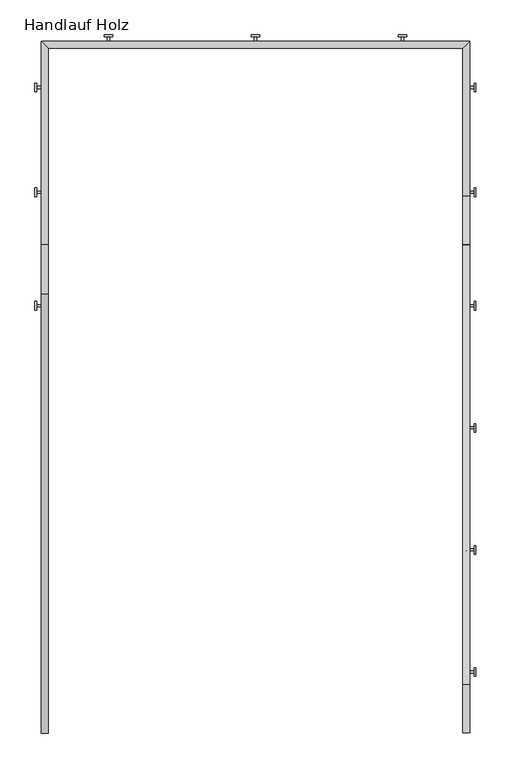
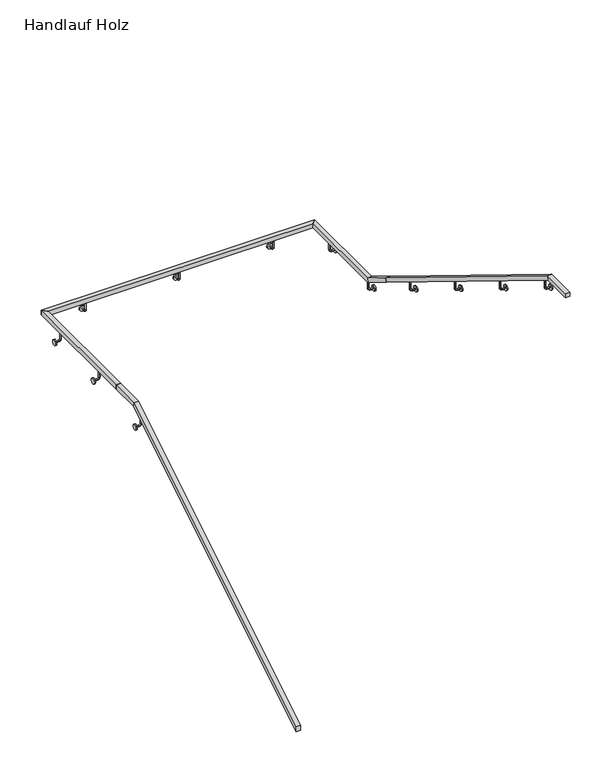
"""IFC4 building model written with IfcOpenShell, lengths in millimetres: railing geometry, Handlauf Holz."""

from ifc_helpers import new_model, si_unit, point, frame, frame_2d, origin, place, context, project, spatial, circle_curve, ellipse_curve, trimmed, segment, composite_curve, outline, extrude, faceted_brep, source, transform, mapped, element, save
from ifc_brep_helpers import plane_surface, cylinder_surface, revolved_surface, advanced_brep


def handlauf_holz_da7dedf4(model_context):
    return source(origin(), model_context, "Body", "SolidModel", [
        faceted_brep([(11017.0, 3985.4, 1175.0), (11017.0, 3985.4, 1128.0610765), (11057.0, 3985.4, 1128.0610765), (11057.0, 3985.4, 1175.0), (11017.0, 6550.4, 2750.0), (11017.0, 6561.7005326, 2710.0), (11057.0, 6561.7005326, 2710.0), (11057.0, 6550.4, 2750.0), (11017.0, 6835.4, 2750.0), (11057.0, 6835.4, 2750.0), (11057.0, 6835.4, 2710.0), (11017.0, 6835.4, 2710.0)], [[[0, 1, 2, 3]], [[1, 0, 4, 5]], [[2, 1, 5, 6]], [[3, 2, 6, 7]], [[0, 3, 7, 4]], [[8, 9, 10, 11]], [[5, 4, 8, 11]], [[6, 5, 11, 10]], [[7, 6, 10, 9]], [[4, 7, 9, 8]]]),
        faceted_brep([(11017.0, 6835.4, 2750.0), (11017.0, 6835.4, 2710.0), (11057.0, 6835.4, 2710.0), (11057.0, 6835.4, 2750.0), (11017.0, 8023.0, 2750.0), (11057.0, 7983.0, 2750.0), (11057.0, 7983.0, 2710.0), (11017.0, 8023.0, 2710.0)], [[[0, 1, 2, 3]], [[4, 5, 6, 7]], [[1, 0, 4, 7]], [[2, 1, 7, 6]], [[3, 2, 6, 5]], [[0, 3, 5, 4]]]),
        faceted_brep([(11017.0, 8023.0, 2750.0), (11017.0, 8023.0, 2710.0), (11057.0, 7983.0, 2710.0), (11057.0, 7983.0, 2750.0), (13517.2, 8023.0, 2750.0), (13477.2, 7983.0, 2750.0), (13477.2, 7983.0, 2710.0), (13517.2, 8023.0, 2710.0)], [[[0, 1, 2, 3]], [[4, 5, 6, 7]], [[1, 0, 4, 7]], [[2, 1, 7, 6]], [[3, 2, 6, 5]], [[0, 3, 5, 4]]]),
        faceted_brep([(13517.2, 8023.0, 2750.0), (13517.2, 8023.0, 2710.0), (13477.2, 7983.0, 2710.0), (13477.2, 7983.0, 2750.0), (13517.2, 7120.4, 2750.0), (13517.2, 7109.0994674, 2710.0), (13477.2, 7109.0994674, 2710.0), (13477.2, 7120.4, 2750.0), (13517.2, 6835.4, 2925.0), (13477.2, 6835.4, 2925.0), (13477.2, 6814.4694787, 2890.913151), (13517.2, 6814.4694787, 2890.913151)], [[[0, 1, 2, 3]], [[1, 0, 4, 5]], [[2, 1, 5, 6]], [[3, 2, 6, 7]], [[0, 3, 7, 4]], [[8, 9, 10, 11]], [[5, 4, 8, 11]], [[6, 5, 11, 10]], [[7, 6, 10, 9]], [[4, 7, 9, 8]]]),
        faceted_brep([(13517.2, 6835.4, 2925.0), (13517.2, 6814.4694787, 2890.913151), (13477.2, 6814.4694787, 2890.913151), (13477.2, 6835.4, 2925.0), (13517.2, 4270.4, 4500.0), (13517.2, 4259.0994674, 4460.0), (13477.2, 4259.0994674, 4460.0), (13477.2, 4270.4, 4500.0), (13517.2, 3985.4, 4500.0), (13477.2, 3985.4, 4500.0), (13477.2, 3985.4, 4460.0), (13517.2, 3985.4, 4460.0)], [[[0, 1, 2, 3]], [[1, 0, 4, 5]], [[2, 1, 5, 6]], [[3, 2, 6, 7]], [[0, 3, 7, 4]], [[8, 9, 10, 11]], [[5, 4, 8, 11]], [[6, 5, 11, 10]], [[7, 6, 10, 9]], [[4, 7, 9, 8]]]),
        advanced_brep(
        [(13497.2, 4348.0, 4397.2), (13497.2, 4335.3, 4397.2), (13497.2, 4335.3, 4340.05), (13497.2, 4348.0, 4340.05), (13516.25, 4335.3, 4321.0), (13516.25, 4348.0, 4321.0), (13544.825, 4348.0, 4321.0), (13544.825, 4335.3, 4321.0)],
        [
            (0, 1, circle_curve(frame((13497.2, 4341.65, 4397.2), z_axis=(0.0, 0.0, 1.0), x_axis=(0.0, -1.0, 0.0)), 6.35)),
            (1, 0, circle_curve(frame((13497.2, 4341.65, 4397.2), z_axis=(0.0, 0.0, 1.0), x_axis=(0.0, -1.0, 0.0)), 6.35)),
            (1, 2),
            (2, 3, circle_curve(frame((13497.2, 4341.65, 4340.05), z_axis=(0.0, 0.0, 1.0), x_axis=(0.0, -1.0, 0.0)), 6.35)),
            (3, 0),
            (3, 2, circle_curve(frame((13497.2, 4341.65, 4340.05), z_axis=(0.0, 0.0, 1.0), x_axis=(0.0, -1.0, 0.0)), 6.35)),
            (4, 5, circle_curve(frame((13516.25, 4341.65, 4321.0), z_axis=(-1.0, 0.0, 0.0), x_axis=(0.0, -1.0, 0.0)), 6.35)),
            (5, 3, circle_curve(frame((13516.25, 4348.0, 4340.05), z_axis=(0.0, 1.0, 0.0), x_axis=(-1.0, 0.0, 0.0)), 19.05)),
            (2, 4, circle_curve(frame((13516.25, 4335.3, 4340.05), z_axis=(0.0, -1.0, 0.0), x_axis=(-1.0, 0.0, 0.0)), 19.05)),
            (5, 4, circle_curve(frame((13516.25, 4341.65, 4321.0), z_axis=(-1.0, 0.0, 0.0), x_axis=(0.0, -1.0, 0.0)), 6.35)),
            (6, 7, circle_curve(frame((13544.825, 4341.65, 4321.0), z_axis=(1.0, 0.0, 0.0), x_axis=(0.0, -1.0, 0.0)), 6.35)),
            (7, 6, circle_curve(frame((13544.825, 4341.65, 4321.0), z_axis=(1.0, 0.0, 0.0), x_axis=(0.0, -1.0, 0.0)), 6.35)),
            (4, 7),
            (6, 5),
        ],
        [
            plane_surface(frame((13497.2, 4335.3, 4397.2), z_axis=(0.0, 0.0, 1.0), x_axis=(1.0, 0.0, 0.0))),
            cylinder_surface(frame((13497.2, 4341.65, 4397.2), z_axis=(0.0, 0.0, 1.0), x_axis=(0.0, -1.0, 0.0)), 6.35),
            revolved_surface(trimmed(ellipse_curve(frame((13497.2, 4341.65, 4340.05), z_axis=(0.0, 0.0, -1.0), x_axis=(0.0, -1.0, 0.0)), 6.35, 6.35), [point((13497.2, 4348.0, 4340.05))], [point((13497.2, 4335.3, 4340.05))], True, "CARTESIAN"), (13516.25, 4341.65, 4340.05), (0.0, 1.0, 0.0)),
            revolved_surface(trimmed(ellipse_curve(frame((13497.2, 4341.65, 4340.05), z_axis=(0.0, 0.0, -1.0), x_axis=(0.0, -1.0, 0.0)), 6.35, 6.35), [point((13497.2, 4335.3, 4340.05))], [point((13497.2, 4348.0, 4340.05))], True, "CARTESIAN"), (13516.25, 4341.65, 4340.05), (0.0, 1.0, 0.0)),
            plane_surface(frame((13544.825, 4341.65, 4314.65), z_axis=(1.0, 0.0, 0.0), x_axis=(0.0, -1.0, 0.0))),
            cylinder_surface(frame((13516.25, 4341.65, 4321.0), z_axis=(-1.0, 0.0, 0.0), x_axis=(0.0, -1.0, 0.0)), 6.35),
        ],
        [
            (0, [[1, 2]]),
            (1, [[3, 4, 5, -2]]),
            (1, [[-5, 6, -3, -1]]),
            (2, [[7, 8, -4, 9]]),
            (3, [[10, -9, -6, -8]]),
            (4, [[11, 12]]),
            (5, [[13, -11, 14, -7]]),
            (5, [[-14, -12, -13, -10]]),
        ],
    ),
        extrude(outline(composite_curve([segment(trimmed(circle_curve(frame_2d((4341.65, 4321.0)), 25.4), [point((4316.25, 4321.0))], [point((4367.05, 4321.0))], False, "CARTESIAN"), True, "CONTINUOUS"), segment(trimmed(circle_curve(frame_2d((4341.65, 4321.0)), 25.4), [point((4367.05, 4321.0))], [point((4316.25, 4321.0))], False, "CARTESIAN"), True, "CONTINUOUS")], self_intersect=False)), frame((13544.825, 0.0, 0.0), z_axis=(1.0, 0.0, 0.0), x_axis=(0.0, 1.0, 0.0)), (0.0, 0.0, 1.0), 9.525),
        advanced_brep(
        [(13497.2, 5060.5, 3959.7), (13497.2, 5047.8, 3959.7), (13497.2, 5047.8, 3902.55), (13497.2, 5060.5, 3902.55), (13516.25, 5047.8, 3883.5), (13516.25, 5060.5, 3883.5), (13544.825, 5060.5, 3883.5), (13544.825, 5047.8, 3883.5)],
        [
            (0, 1, circle_curve(frame((13497.2, 5054.15, 3959.7), z_axis=(0.0, 0.0, 1.0), x_axis=(0.0, -1.0, 0.0)), 6.35)),
            (1, 0, circle_curve(frame((13497.2, 5054.15, 3959.7), z_axis=(0.0, 0.0, 1.0), x_axis=(0.0, -1.0, 0.0)), 6.35)),
            (1, 2),
            (2, 3, circle_curve(frame((13497.2, 5054.15, 3902.55), z_axis=(0.0, 0.0, 1.0), x_axis=(0.0, -1.0, 0.0)), 6.35)),
            (3, 0),
            (3, 2, circle_curve(frame((13497.2, 5054.15, 3902.55), z_axis=(0.0, 0.0, 1.0), x_axis=(0.0, -1.0, 0.0)), 6.35)),
            (4, 5, circle_curve(frame((13516.25, 5054.15, 3883.5), z_axis=(-1.0, 0.0, 0.0), x_axis=(0.0, -1.0, 0.0)), 6.35)),
            (5, 3, circle_curve(frame((13516.25, 5060.5, 3902.55), z_axis=(0.0, 1.0, 0.0), x_axis=(-1.0, 0.0, 0.0)), 19.05)),
            (2, 4, circle_curve(frame((13516.25, 5047.8, 3902.55), z_axis=(0.0, -1.0, 0.0), x_axis=(-1.0, 0.0, 0.0)), 19.05)),
            (5, 4, circle_curve(frame((13516.25, 5054.15, 3883.5), z_axis=(-1.0, 0.0, 0.0), x_axis=(0.0, -1.0, 0.0)), 6.35)),
            (6, 7, circle_curve(frame((13544.825, 5054.15, 3883.5), z_axis=(1.0, 0.0, 0.0), x_axis=(0.0, -1.0, 0.0)), 6.35)),
            (7, 6, circle_curve(frame((13544.825, 5054.15, 3883.5), z_axis=(1.0, 0.0, 0.0), x_axis=(0.0, -1.0, 0.0)), 6.35)),
            (4, 7),
            (6, 5),
        ],
        [
            plane_surface(frame((13497.2, 5047.8, 3959.7), z_axis=(0.0, 0.0, 1.0), x_axis=(1.0, 0.0, 0.0))),
            cylinder_surface(frame((13497.2, 5054.15, 3959.7), z_axis=(0.0, 0.0, 1.0), x_axis=(0.0, -1.0, 0.0)), 6.35),
            revolved_surface(trimmed(ellipse_curve(frame((13497.2, 5054.15, 3902.55), z_axis=(0.0, 0.0, -1.0), x_axis=(0.0, -1.0, 0.0)), 6.35, 6.35), [point((13497.2, 5060.5, 3902.55))], [point((13497.2, 5047.8, 3902.55))], True, "CARTESIAN"), (13516.25, 5054.15, 3902.55), (0.0, 1.0, 0.0)),
            revolved_surface(trimmed(ellipse_curve(frame((13497.2, 5054.15, 3902.55), z_axis=(0.0, 0.0, -1.0), x_axis=(0.0, -1.0, 0.0)), 6.35, 6.35), [point((13497.2, 5047.8, 3902.55))], [point((13497.2, 5060.5, 3902.55))], True, "CARTESIAN"), (13516.25, 5054.15, 3902.55), (0.0, 1.0, 0.0)),
            plane_surface(frame((13544.825, 5054.15, 3877.15), z_axis=(1.0, 0.0, 0.0), x_axis=(0.0, -1.0, 0.0))),
            cylinder_surface(frame((13516.25, 5054.15, 3883.5), z_axis=(-1.0, 0.0, 0.0), x_axis=(0.0, -1.0, 0.0)), 6.35),
        ],
        [
            (0, [[1, 2]]),
            (1, [[3, 4, 5, -2]]),
            (1, [[-5, 6, -3, -1]]),
            (2, [[7, 8, -4, 9]]),
            (3, [[10, -9, -6, -8]]),
            (4, [[11, 12]]),
            (5, [[13, -11, 14, -7]]),
            (5, [[-14, -12, -13, -10]]),
        ],
    ),
        extrude(outline(composite_curve([segment(trimmed(circle_curve(frame_2d((5054.15, 3883.5)), 25.4), [point((5028.75, 3883.5))], [point((5079.55, 3883.5))], False, "CARTESIAN"), True, "CONTINUOUS"), segment(trimmed(circle_curve(frame_2d((5054.15, 3883.5)), 25.4), [point((5079.55, 3883.5))], [point((5028.75, 3883.5))], False, "CARTESIAN"), True, "CONTINUOUS")], self_intersect=False)), frame((13544.825, 0.0, 0.0), z_axis=(1.0, 0.0, 0.0), x_axis=(0.0, 1.0, 0.0)), (0.0, 0.0, 1.0), 9.525),
        advanced_brep(
        [(13497.2, 5773.0, 3522.2), (13497.2, 5760.3, 3522.2), (13497.2, 5760.3, 3465.05), (13497.2, 5773.0, 3465.05), (13516.25, 5760.3, 3446.0), (13516.25, 5773.0, 3446.0), (13544.825, 5773.0, 3446.0), (13544.825, 5760.3, 3446.0)],
        [
            (0, 1, circle_curve(frame((13497.2, 5766.65, 3522.2), z_axis=(0.0, 0.0, 1.0), x_axis=(0.0, -1.0, 0.0)), 6.35)),
            (1, 0, circle_curve(frame((13497.2, 5766.65, 3522.2), z_axis=(0.0, 0.0, 1.0), x_axis=(0.0, -1.0, 0.0)), 6.35)),
            (1, 2),
            (2, 3, circle_curve(frame((13497.2, 5766.65, 3465.05), z_axis=(0.0, 0.0, 1.0), x_axis=(0.0, -1.0, 0.0)), 6.35)),
            (3, 0),
            (3, 2, circle_curve(frame((13497.2, 5766.65, 3465.05), z_axis=(0.0, 0.0, 1.0), x_axis=(0.0, -1.0, 0.0)), 6.35)),
            (4, 5, circle_curve(frame((13516.25, 5766.65, 3446.0), z_axis=(-1.0, 0.0, 0.0), x_axis=(0.0, -1.0, 0.0)), 6.35)),
            (5, 3, circle_curve(frame((13516.25, 5773.0, 3465.05), z_axis=(0.0, 1.0, 0.0), x_axis=(-1.0, 0.0, 0.0)), 19.05)),
            (2, 4, circle_curve(frame((13516.25, 5760.3, 3465.05), z_axis=(0.0, -1.0, 0.0), x_axis=(-1.0, 0.0, 0.0)), 19.05)),
            (5, 4, circle_curve(frame((13516.25, 5766.65, 3446.0), z_axis=(-1.0, 0.0, 0.0), x_axis=(0.0, -1.0, 0.0)), 6.35)),
            (6, 7, circle_curve(frame((13544.825, 5766.65, 3446.0), z_axis=(1.0, 0.0, 0.0), x_axis=(0.0, -1.0, 0.0)), 6.35)),
            (7, 6, circle_curve(frame((13544.825, 5766.65, 3446.0), z_axis=(1.0, 0.0, 0.0), x_axis=(0.0, -1.0, 0.0)), 6.35)),
            (4, 7),
            (6, 5),
        ],
        [
            plane_surface(frame((13497.2, 5760.3, 3522.2), z_axis=(0.0, 0.0, 1.0), x_axis=(1.0, 0.0, 0.0))),
            cylinder_surface(frame((13497.2, 5766.65, 3522.2), z_axis=(0.0, 0.0, 1.0), x_axis=(0.0, -1.0, 0.0)), 6.35),
            revolved_surface(trimmed(ellipse_curve(frame((13497.2, 5766.65, 3465.05), z_axis=(0.0, 0.0, -1.0), x_axis=(0.0, -1.0, 0.0)), 6.35, 6.35), [point((13497.2, 5773.0, 3465.05))], [point((13497.2, 5760.3, 3465.05))], True, "CARTESIAN"), (13516.25, 5766.65, 3465.05), (0.0, 1.0, 0.0)),
            revolved_surface(trimmed(ellipse_curve(frame((13497.2, 5766.65, 3465.05), z_axis=(0.0, 0.0, -1.0), x_axis=(0.0, -1.0, 0.0)), 6.35, 6.35), [point((13497.2, 5760.3, 3465.05))], [point((13497.2, 5773.0, 3465.05))], True, "CARTESIAN"), (13516.25, 5766.65, 3465.05), (0.0, 1.0, 0.0)),
            plane_surface(frame((13544.825, 5766.65, 3439.65), z_axis=(1.0, 0.0, 0.0), x_axis=(0.0, -1.0, 0.0))),
            cylinder_surface(frame((13516.25, 5766.65, 3446.0), z_axis=(-1.0, 0.0, 0.0), x_axis=(0.0, -1.0, 0.0)), 6.35),
        ],
        [
            (0, [[1, 2]]),
            (1, [[3, 4, 5, -2]]),
            (1, [[-5, 6, -3, -1]]),
            (2, [[7, 8, -4, 9]]),
            (3, [[10, -9, -6, -8]]),
            (4, [[11, 12]]),
            (5, [[13, -11, 14, -7]]),
            (5, [[-14, -12, -13, -10]]),
        ],
    ),
        extrude(outline(composite_curve([segment(trimmed(circle_curve(frame_2d((5766.65, 3446.0)), 25.4), [point((5741.25, 3446.0))], [point((5792.05, 3446.0))], False, "CARTESIAN"), True, "CONTINUOUS"), segment(trimmed(circle_curve(frame_2d((5766.65, 3446.0)), 25.4), [point((5792.05, 3446.0))], [point((5741.25, 3446.0))], False, "CARTESIAN"), True, "CONTINUOUS")], self_intersect=False)), frame((13544.825, 0.0, 0.0), z_axis=(1.0, 0.0, 0.0), x_axis=(0.0, 1.0, 0.0)), (0.0, 0.0, 1.0), 9.525),
        advanced_brep(
        [(13497.2, 6485.5, 3084.7), (13497.2, 6472.8, 3084.7), (13497.2, 6472.8, 3027.55), (13497.2, 6485.5, 3027.55), (13516.25, 6472.8, 3008.5), (13516.25, 6485.5, 3008.5), (13544.825, 6485.5, 3008.5), (13544.825, 6472.8, 3008.5)],
        [
            (0, 1, circle_curve(frame((13497.2, 6479.15, 3084.7), z_axis=(0.0, 0.0, 1.0), x_axis=(0.0, -1.0, 0.0)), 6.35)),
            (1, 0, circle_curve(frame((13497.2, 6479.15, 3084.7), z_axis=(0.0, 0.0, 1.0), x_axis=(0.0, -1.0, 0.0)), 6.35)),
            (1, 2),
            (2, 3, circle_curve(frame((13497.2, 6479.15, 3027.55), z_axis=(0.0, 0.0, 1.0), x_axis=(0.0, -1.0, 0.0)), 6.35)),
            (3, 0),
            (3, 2, circle_curve(frame((13497.2, 6479.15, 3027.55), z_axis=(0.0, 0.0, 1.0), x_axis=(0.0, -1.0, 0.0)), 6.35)),
            (4, 5, circle_curve(frame((13516.25, 6479.15, 3008.5), z_axis=(-1.0, 0.0, 0.0), x_axis=(0.0, -1.0, 0.0)), 6.35)),
            (5, 3, circle_curve(frame((13516.25, 6485.5, 3027.55), z_axis=(0.0, 1.0, 0.0), x_axis=(-1.0, 0.0, 0.0)), 19.05)),
            (2, 4, circle_curve(frame((13516.25, 6472.8, 3027.55), z_axis=(0.0, -1.0, 0.0), x_axis=(-1.0, 0.0, 0.0)), 19.05)),
            (5, 4, circle_curve(frame((13516.25, 6479.15, 3008.5), z_axis=(-1.0, 0.0, 0.0), x_axis=(0.0, -1.0, 0.0)), 6.35)),
            (6, 7, circle_curve(frame((13544.825, 6479.15, 3008.5), z_axis=(1.0, 0.0, 0.0), x_axis=(0.0, -1.0, 0.0)), 6.35)),
            (7, 6, circle_curve(frame((13544.825, 6479.15, 3008.5), z_axis=(1.0, 0.0, 0.0), x_axis=(0.0, -1.0, 0.0)), 6.35)),
            (4, 7),
            (6, 5),
        ],
        [
            plane_surface(frame((13497.2, 6472.8, 3084.7), z_axis=(0.0, 0.0, 1.0), x_axis=(1.0, 0.0, 0.0))),
            cylinder_surface(frame((13497.2, 6479.15, 3084.7), z_axis=(0.0, 0.0, 1.0), x_axis=(0.0, -1.0, 0.0)), 6.35),
            revolved_surface(trimmed(ellipse_curve(frame((13497.2, 6479.15, 3027.55), z_axis=(0.0, 0.0, -1.0), x_axis=(0.0, -1.0, 0.0)), 6.35, 6.35), [point((13497.2, 6485.5, 3027.55))], [point((13497.2, 6472.8, 3027.55))], True, "CARTESIAN"), (13516.25, 6479.15, 3027.55), (0.0, 1.0, 0.0)),
            revolved_surface(trimmed(ellipse_curve(frame((13497.2, 6479.15, 3027.55), z_axis=(0.0, 0.0, -1.0), x_axis=(0.0, -1.0, 0.0)), 6.35, 6.35), [point((13497.2, 6472.8, 3027.55))], [point((13497.2, 6485.5, 3027.55))], True, "CARTESIAN"), (13516.25, 6479.15, 3027.55), (0.0, 1.0, 0.0)),
            plane_surface(frame((13544.825, 6479.15, 3002.15), z_axis=(1.0, 0.0, 0.0), x_axis=(0.0, -1.0, 0.0))),
            cylinder_surface(frame((13516.25, 6479.15, 3008.5), z_axis=(-1.0, 0.0, 0.0), x_axis=(0.0, -1.0, 0.0)), 6.35),
        ],
        [
            (0, [[1, 2]]),
            (1, [[3, 4, 5, -2]]),
            (1, [[-5, 6, -3, -1]]),
            (2, [[7, 8, -4, 9]]),
            (3, [[10, -9, -6, -8]]),
            (4, [[11, 12]]),
            (5, [[13, -11, 14, -7]]),
            (5, [[-14, -12, -13, -10]]),
        ],
    ),
        extrude(outline(composite_curve([segment(trimmed(circle_curve(frame_2d((6479.15, 3008.5)), 25.4), [point((6453.75, 3008.5))], [point((6504.55, 3008.5))], False, "CARTESIAN"), True, "CONTINUOUS"), segment(trimmed(circle_curve(frame_2d((6479.15, 3008.5)), 25.4), [point((6504.55, 3008.5))], [point((6453.75, 3008.5))], False, "CARTESIAN"), True, "CONTINUOUS")], self_intersect=False)), frame((13544.825, 0.0, 0.0), z_axis=(1.0, 0.0, 0.0), x_axis=(0.0, 1.0, 0.0)), (0.0, 0.0, 1.0), 9.525),
        advanced_brep(
        [(13497.2, 7147.9, 2690.95), (13497.2, 7135.2, 2690.95), (13497.2, 7135.2, 2633.8), (13497.2, 7147.9, 2633.8), (13516.25, 7135.2, 2614.75), (13516.25, 7147.9, 2614.75), (13544.825, 7147.9, 2614.75), (13544.825, 7135.2, 2614.75)],
        [
            (0, 1, circle_curve(frame((13497.2, 7141.55, 2690.95), z_axis=(0.0, 0.0, 1.0), x_axis=(0.0, -1.0, 0.0)), 6.35)),
            (1, 0, circle_curve(frame((13497.2, 7141.55, 2690.95), z_axis=(0.0, 0.0, 1.0), x_axis=(0.0, -1.0, 0.0)), 6.35)),
            (1, 2),
            (2, 3, circle_curve(frame((13497.2, 7141.55, 2633.8), z_axis=(0.0, 0.0, 1.0), x_axis=(0.0, -1.0, 0.0)), 6.35)),
            (3, 0),
            (3, 2, circle_curve(frame((13497.2, 7141.55, 2633.8), z_axis=(0.0, 0.0, 1.0), x_axis=(0.0, -1.0, 0.0)), 6.35)),
            (4, 5, circle_curve(frame((13516.25, 7141.55, 2614.75), z_axis=(-1.0, 0.0, 0.0), x_axis=(0.0, -1.0, 0.0)), 6.35)),
            (5, 3, circle_curve(frame((13516.25, 7147.9, 2633.8), z_axis=(0.0, 1.0, 0.0), x_axis=(-1.0, 0.0, 0.0)), 19.05)),
            (2, 4, circle_curve(frame((13516.25, 7135.2, 2633.8), z_axis=(0.0, -1.0, 0.0), x_axis=(-1.0, 0.0, 0.0)), 19.05)),
            (5, 4, circle_curve(frame((13516.25, 7141.55, 2614.75), z_axis=(-1.0, 0.0, 0.0), x_axis=(0.0, -1.0, 0.0)), 6.35)),
            (6, 7, circle_curve(frame((13544.825, 7141.55, 2614.75), z_axis=(1.0, 0.0, 0.0), x_axis=(0.0, -1.0, 0.0)), 6.35)),
            (7, 6, circle_curve(frame((13544.825, 7141.55, 2614.75), z_axis=(1.0, 0.0, 0.0), x_axis=(0.0, -1.0, 0.0)), 6.35)),
            (4, 7),
            (6, 5),
        ],
        [
            plane_surface(frame((13497.2, 7135.2, 2690.95), z_axis=(0.0, 0.0, 1.0), x_axis=(1.0, 0.0, 0.0))),
            cylinder_surface(frame((13497.2, 7141.55, 2690.95), z_axis=(0.0, 0.0, 1.0), x_axis=(0.0, -1.0, 0.0)), 6.35),
            revolved_surface(trimmed(ellipse_curve(frame((13497.2, 7141.55, 2633.8), z_axis=(0.0, 0.0, -1.0), x_axis=(0.0, -1.0, 0.0)), 6.35, 6.35), [point((13497.2, 7147.9, 2633.8))], [point((13497.2, 7135.2, 2633.8))], True, "CARTESIAN"), (13516.25, 7141.55, 2633.8), (0.0, 1.0, 0.0)),
            revolved_surface(trimmed(ellipse_curve(frame((13497.2, 7141.55, 2633.8), z_axis=(0.0, 0.0, -1.0), x_axis=(0.0, -1.0, 0.0)), 6.35, 6.35), [point((13497.2, 7135.2, 2633.8))], [point((13497.2, 7147.9, 2633.8))], True, "CARTESIAN"), (13516.25, 7141.55, 2633.8), (0.0, 1.0, 0.0)),
            plane_surface(frame((13544.825, 7141.55, 2608.4), z_axis=(1.0, 0.0, 0.0), x_axis=(0.0, -1.0, 0.0))),
            cylinder_surface(frame((13516.25, 7141.55, 2614.75), z_axis=(-1.0, 0.0, 0.0), x_axis=(0.0, -1.0, 0.0)), 6.35),
        ],
        [
            (0, [[1, 2]]),
            (1, [[3, 4, 5, -2]]),
            (1, [[-5, 6, -3, -1]]),
            (2, [[7, 8, -4, 9]]),
            (3, [[10, -9, -6, -8]]),
            (4, [[11, 12]]),
            (5, [[13, -11, 14, -7]]),
            (5, [[-14, -12, -13, -10]]),
        ],
    ),
        extrude(outline(composite_curve([segment(trimmed(circle_curve(frame_2d((7141.55, 2614.75)), 25.4), [point((7116.15, 2614.75))], [point((7166.95, 2614.75))], False, "CARTESIAN"), True, "CONTINUOUS"), segment(trimmed(circle_curve(frame_2d((7141.55, 2614.75)), 25.4), [point((7166.95, 2614.75))], [point((7116.15, 2614.75))], False, "CARTESIAN"), True, "CONTINUOUS")], self_intersect=False)), frame((13544.825, 0.0, 0.0), z_axis=(1.0, 0.0, 0.0), x_axis=(0.0, 1.0, 0.0)), (0.0, 0.0, 1.0), 9.525),
        advanced_brep(
        [(13497.2, 7760.2, 2690.95), (13497.2, 7747.5, 2690.95), (13497.2, 7747.5, 2633.8), (13497.2, 7760.2, 2633.8), (13516.25, 7747.5, 2614.75), (13516.25, 7760.2, 2614.75), (13544.825, 7760.2, 2614.75), (13544.825, 7747.5, 2614.75)],
        [
            (0, 1, circle_curve(frame((13497.2, 7753.85, 2690.95), z_axis=(0.0, 0.0, 1.0), x_axis=(0.0, -1.0, 0.0)), 6.35)),
            (1, 0, circle_curve(frame((13497.2, 7753.85, 2690.95), z_axis=(0.0, 0.0, 1.0), x_axis=(0.0, -1.0, 0.0)), 6.35)),
            (1, 2),
            (2, 3, circle_curve(frame((13497.2, 7753.85, 2633.8), z_axis=(0.0, 0.0, 1.0), x_axis=(0.0, -1.0, 0.0)), 6.35)),
            (3, 0),
            (3, 2, circle_curve(frame((13497.2, 7753.85, 2633.8), z_axis=(0.0, 0.0, 1.0), x_axis=(0.0, -1.0, 0.0)), 6.35)),
            (4, 5, circle_curve(frame((13516.25, 7753.85, 2614.75), z_axis=(-1.0, 0.0, 0.0), x_axis=(0.0, -1.0, 0.0)), 6.35)),
            (5, 3, circle_curve(frame((13516.25, 7760.2, 2633.8), z_axis=(0.0, 1.0, 0.0), x_axis=(-1.0, 0.0, 0.0)), 19.05)),
            (2, 4, circle_curve(frame((13516.25, 7747.5, 2633.8), z_axis=(0.0, -1.0, 0.0), x_axis=(-1.0, 0.0, 0.0)), 19.05)),
            (5, 4, circle_curve(frame((13516.25, 7753.85, 2614.75), z_axis=(-1.0, 0.0, 0.0), x_axis=(0.0, -1.0, 0.0)), 6.35)),
            (6, 7, circle_curve(frame((13544.825, 7753.85, 2614.75), z_axis=(1.0, 0.0, 0.0), x_axis=(0.0, -1.0, 0.0)), 6.35)),
            (7, 6, circle_curve(frame((13544.825, 7753.85, 2614.75), z_axis=(1.0, 0.0, 0.0), x_axis=(0.0, -1.0, 0.0)), 6.35)),
            (4, 7),
            (6, 5),
        ],
        [
            plane_surface(frame((13497.2, 7747.5, 2690.95), z_axis=(0.0, 0.0, 1.0), x_axis=(1.0, 0.0, 0.0))),
            cylinder_surface(frame((13497.2, 7753.85, 2690.95), z_axis=(0.0, 0.0, 1.0), x_axis=(0.0, -1.0, 0.0)), 6.35),
            revolved_surface(trimmed(ellipse_curve(frame((13497.2, 7753.85, 2633.8), z_axis=(0.0, 0.0, -1.0), x_axis=(0.0, -1.0, 0.0)), 6.35, 6.35), [point((13497.2, 7760.2, 2633.8))], [point((13497.2, 7747.5, 2633.8))], True, "CARTESIAN"), (13516.25, 7753.85, 2633.8), (0.0, 1.0, 0.0)),
            revolved_surface(trimmed(ellipse_curve(frame((13497.2, 7753.85, 2633.8), z_axis=(0.0, 0.0, -1.0), x_axis=(0.0, -1.0, 0.0)), 6.35, 6.35), [point((13497.2, 7747.5, 2633.8))], [point((13497.2, 7760.2, 2633.8))], True, "CARTESIAN"), (13516.25, 7753.85, 2633.8), (0.0, 1.0, 0.0)),
            plane_surface(frame((13544.825, 7753.85, 2608.4), z_axis=(1.0, 0.0, 0.0), x_axis=(0.0, -1.0, 0.0))),
            cylinder_surface(frame((13516.25, 7753.85, 2614.75), z_axis=(-1.0, 0.0, 0.0), x_axis=(0.0, -1.0, 0.0)), 6.35),
        ],
        [
            (0, [[1, 2]]),
            (1, [[3, 4, 5, -2]]),
            (1, [[-5, 6, -3, -1]]),
            (2, [[7, 8, -4, 9]]),
            (3, [[10, -9, -6, -8]]),
            (4, [[11, 12]]),
            (5, [[13, -11, 14, -7]]),
            (5, [[-14, -12, -13, -10]]),
        ],
    ),
        extrude(outline(composite_curve([segment(trimmed(circle_curve(frame_2d((7753.85, 2614.75)), 25.4), [point((7728.45, 2614.75))], [point((7779.25, 2614.75))], False, "CARTESIAN"), True, "CONTINUOUS"), segment(trimmed(circle_curve(frame_2d((7753.85, 2614.75)), 25.4), [point((7779.25, 2614.75))], [point((7728.45, 2614.75))], False, "CARTESIAN"), True, "CONTINUOUS")], self_intersect=False)), frame((13544.825, 0.0, 0.0), z_axis=(1.0, 0.0, 0.0), x_axis=(0.0, 1.0, 0.0)), (0.0, 0.0, 1.0), 9.525),
        advanced_brep(
        [(13118.8166667, 8003.0, 2690.95), (13131.5166667, 8003.0, 2690.95), (13131.5166667, 8003.0, 2633.8), (13118.8166667, 8003.0, 2633.8), (13131.5166667, 8022.05, 2614.75), (13118.8166667, 8022.05, 2614.75), (13118.8166667, 8050.625, 2614.75), (13131.5166667, 8050.625, 2614.75)],
        [
            (0, 1, circle_curve(frame((13125.1666667, 8003.0, 2690.95), z_axis=(0.0, 0.0, 1.0), x_axis=(1.0, 0.0, 0.0)), 6.35)),
            (1, 0, circle_curve(frame((13125.1666667, 8003.0, 2690.95), z_axis=(0.0, 0.0, 1.0), x_axis=(1.0, 0.0, 0.0)), 6.35)),
            (1, 2),
            (2, 3, circle_curve(frame((13125.1666667, 8003.0, 2633.8), z_axis=(0.0, 0.0, 1.0), x_axis=(1.0, 0.0, 0.0)), 6.35)),
            (3, 0),
            (3, 2, circle_curve(frame((13125.1666667, 8003.0, 2633.8), z_axis=(0.0, 0.0, 1.0), x_axis=(1.0, 0.0, 0.0)), 6.35)),
            (4, 5, circle_curve(frame((13125.1666667, 8022.05, 2614.75), z_axis=(0.0, -1.0, 0.0), x_axis=(1.0, 0.0, 0.0)), 6.35)),
            (5, 3, circle_curve(frame((13118.8166667, 8022.05, 2633.8), z_axis=(-1.0, 0.0, 0.0), x_axis=(0.0, -1.0, 0.0)), 19.05)),
            (2, 4, circle_curve(frame((13131.5166667, 8022.05, 2633.8), z_axis=(1.0, 0.0, 0.0), x_axis=(0.0, -1.0, 0.0)), 19.05)),
            (5, 4, circle_curve(frame((13125.1666667, 8022.05, 2614.75), z_axis=(0.0, -1.0, 0.0), x_axis=(1.0, 0.0, 0.0)), 6.35)),
            (6, 7, circle_curve(frame((13125.1666667, 8050.625, 2614.75), z_axis=(0.0, 1.0, 0.0), x_axis=(1.0, 0.0, 0.0)), 6.35)),
            (7, 6, circle_curve(frame((13125.1666667, 8050.625, 2614.75), z_axis=(0.0, 1.0, 0.0), x_axis=(1.0, 0.0, 0.0)), 6.35)),
            (4, 7),
            (6, 5),
        ],
        [
            plane_surface(frame((13131.5166667, 8003.0, 2690.95), z_axis=(0.0, 0.0, 1.0), x_axis=(0.0, 1.0, 0.0))),
            cylinder_surface(frame((13125.1666667, 8003.0, 2690.95), z_axis=(0.0, 0.0, 1.0), x_axis=(1.0, 0.0, 0.0)), 6.35),
            revolved_surface(trimmed(ellipse_curve(frame((13125.1666667, 8003.0, 2633.8), z_axis=(0.0, 0.0, -1.0), x_axis=(1.0, 0.0, 0.0)), 6.35, 6.35), [point((13118.8166667, 8003.0, 2633.8))], [point((13131.5166667, 8003.0, 2633.8))], True, "CARTESIAN"), (13125.1666667, 8022.05, 2633.8), (-1.0, 0.0, 0.0)),
            revolved_surface(trimmed(ellipse_curve(frame((13125.1666667, 8003.0, 2633.8), z_axis=(0.0, 0.0, -1.0), x_axis=(1.0, 0.0, 0.0)), 6.35, 6.35), [point((13131.5166667, 8003.0, 2633.8))], [point((13118.8166667, 8003.0, 2633.8))], True, "CARTESIAN"), (13125.1666667, 8022.05, 2633.8), (-1.0, 0.0, 0.0)),
            plane_surface(frame((13125.1666667, 8050.625, 2608.4), z_axis=(0.0, 1.0, 0.0), x_axis=(1.0, 0.0, 0.0))),
            cylinder_surface(frame((13125.1666667, 8022.05, 2614.75), z_axis=(0.0, -1.0, 0.0), x_axis=(1.0, 0.0, 0.0)), 6.35),
        ],
        [
            (0, [[1, 2]]),
            (1, [[3, 4, 5, -2]]),
            (1, [[-5, 6, -3, -1]]),
            (2, [[7, 8, -4, 9]]),
            (3, [[10, -9, -6, -8]]),
            (4, [[11, 12]]),
            (5, [[13, -11, 14, -7]]),
            (5, [[-14, -12, -13, -10]]),
        ],
    ),
        extrude(outline(composite_curve([segment(trimmed(circle_curve(frame_2d((2614.75, 13125.1666667)), 25.4), [point((2614.75, 13150.5666667))], [point((2614.75, 13099.7666667))], False, "CARTESIAN"), True, "CONTINUOUS"), segment(trimmed(circle_curve(frame_2d((2614.75, 13125.1666667)), 25.4), [point((2614.75, 13099.7666667))], [point((2614.75, 13150.5666667))], False, "CARTESIAN"), True, "CONTINUOUS")], self_intersect=False)), frame((0.0, 8050.625, 0.0), z_axis=(0.0, 1.0, 0.0), x_axis=(0.0, 0.0, 1.0)), (0.0, 0.0, 1.0), 9.525),
        advanced_brep(
        [(12260.75, 8003.0, 2690.95), (12273.45, 8003.0, 2690.95), (12273.45, 8003.0, 2633.8), (12260.75, 8003.0, 2633.8), (12273.45, 8022.05, 2614.75), (12260.75, 8022.05, 2614.75), (12260.75, 8050.625, 2614.75), (12273.45, 8050.625, 2614.75)],
        [
            (0, 1, circle_curve(frame((12267.1, 8003.0, 2690.95), z_axis=(0.0, 0.0, 1.0), x_axis=(1.0, 0.0, 0.0)), 6.35)),
            (1, 0, circle_curve(frame((12267.1, 8003.0, 2690.95), z_axis=(0.0, 0.0, 1.0), x_axis=(1.0, 0.0, 0.0)), 6.35)),
            (1, 2),
            (2, 3, circle_curve(frame((12267.1, 8003.0, 2633.8), z_axis=(0.0, 0.0, 1.0), x_axis=(1.0, 0.0, 0.0)), 6.35)),
            (3, 0),
            (3, 2, circle_curve(frame((12267.1, 8003.0, 2633.8), z_axis=(0.0, 0.0, 1.0), x_axis=(1.0, 0.0, 0.0)), 6.35)),
            (4, 5, circle_curve(frame((12267.1, 8022.05, 2614.75), z_axis=(0.0, -1.0, 0.0), x_axis=(1.0, 0.0, 0.0)), 6.35)),
            (5, 3, circle_curve(frame((12260.75, 8022.05, 2633.8), z_axis=(-1.0, 0.0, 0.0), x_axis=(0.0, -1.0, 0.0)), 19.05)),
            (2, 4, circle_curve(frame((12273.45, 8022.05, 2633.8), z_axis=(1.0, 0.0, 0.0), x_axis=(0.0, -1.0, 0.0)), 19.05)),
            (5, 4, circle_curve(frame((12267.1, 8022.05, 2614.75), z_axis=(0.0, -1.0, 0.0), x_axis=(1.0, 0.0, 0.0)), 6.35)),
            (6, 7, circle_curve(frame((12267.1, 8050.625, 2614.75), z_axis=(0.0, 1.0, 0.0), x_axis=(1.0, 0.0, 0.0)), 6.35)),
            (7, 6, circle_curve(frame((12267.1, 8050.625, 2614.75), z_axis=(0.0, 1.0, 0.0), x_axis=(1.0, 0.0, 0.0)), 6.35)),
            (4, 7),
            (6, 5),
        ],
        [
            plane_surface(frame((12273.45, 8003.0, 2690.95), z_axis=(0.0, 0.0, 1.0), x_axis=(0.0, 1.0, 0.0))),
            cylinder_surface(frame((12267.1, 8003.0, 2690.95), z_axis=(0.0, 0.0, 1.0), x_axis=(1.0, 0.0, 0.0)), 6.35),
            revolved_surface(trimmed(ellipse_curve(frame((12267.1, 8003.0, 2633.8), z_axis=(0.0, 0.0, -1.0), x_axis=(1.0, 0.0, 0.0)), 6.35, 6.35), [point((12260.75, 8003.0, 2633.8))], [point((12273.45, 8003.0, 2633.8))], True, "CARTESIAN"), (12267.1, 8022.05, 2633.8), (-1.0, 0.0, 0.0)),
            revolved_surface(trimmed(ellipse_curve(frame((12267.1, 8003.0, 2633.8), z_axis=(0.0, 0.0, -1.0), x_axis=(1.0, 0.0, 0.0)), 6.35, 6.35), [point((12273.45, 8003.0, 2633.8))], [point((12260.75, 8003.0, 2633.8))], True, "CARTESIAN"), (12267.1, 8022.05, 2633.8), (-1.0, 0.0, 0.0)),
            plane_surface(frame((12267.1, 8050.625, 2608.4), z_axis=(0.0, 1.0, 0.0), x_axis=(1.0, 0.0, 0.0))),
            cylinder_surface(frame((12267.1, 8022.05, 2614.75), z_axis=(0.0, -1.0, 0.0), x_axis=(1.0, 0.0, 0.0)), 6.35),
        ],
        [
            (0, [[1, 2]]),
            (1, [[3, 4, 5, -2]]),
            (1, [[-5, 6, -3, -1]]),
            (2, [[7, 8, -4, 9]]),
            (3, [[10, -9, -6, -8]]),
            (4, [[11, 12]]),
            (5, [[13, -11, 14, -7]]),
            (5, [[-14, -12, -13, -10]]),
        ],
    ),
        extrude(outline(composite_curve([segment(trimmed(circle_curve(frame_2d((2614.75, 12267.1)), 25.4), [point((2614.75, 12292.5))], [point((2614.75, 12241.7))], False, "CARTESIAN"), True, "CONTINUOUS"), segment(trimmed(circle_curve(frame_2d((2614.75, 12267.1)), 25.4), [point((2614.75, 12241.7))], [point((2614.75, 12292.5))], False, "CARTESIAN"), True, "CONTINUOUS")], self_intersect=False)), frame((0.0, 8050.625, 0.0), z_axis=(0.0, 1.0, 0.0), x_axis=(0.0, 0.0, 1.0)), (0.0, 0.0, 1.0), 9.525),
        advanced_brep(
        [(11402.6833333, 8003.0, 2690.95), (11415.3833333, 8003.0, 2690.95), (11415.3833333, 8003.0, 2633.8), (11402.6833333, 8003.0, 2633.8), (11415.3833333, 8022.05, 2614.75), (11402.6833333, 8022.05, 2614.75), (11402.6833333, 8050.625, 2614.75), (11415.3833333, 8050.625, 2614.75)],
        [
            (0, 1, circle_curve(frame((11409.0333333, 8003.0, 2690.95), z_axis=(0.0, 0.0, 1.0), x_axis=(1.0, 0.0, 0.0)), 6.35)),
            (1, 0, circle_curve(frame((11409.0333333, 8003.0, 2690.95), z_axis=(0.0, 0.0, 1.0), x_axis=(1.0, 0.0, 0.0)), 6.35)),
            (1, 2),
            (2, 3, circle_curve(frame((11409.0333333, 8003.0, 2633.8), z_axis=(0.0, 0.0, 1.0), x_axis=(1.0, 0.0, 0.0)), 6.35)),
            (3, 0),
            (3, 2, circle_curve(frame((11409.0333333, 8003.0, 2633.8), z_axis=(0.0, 0.0, 1.0), x_axis=(1.0, 0.0, 0.0)), 6.35)),
            (4, 5, circle_curve(frame((11409.0333333, 8022.05, 2614.75), z_axis=(0.0, -1.0, 0.0), x_axis=(1.0, 0.0, 0.0)), 6.35)),
            (5, 3, circle_curve(frame((11402.6833333, 8022.05, 2633.8), z_axis=(-1.0, 0.0, 0.0), x_axis=(0.0, -1.0, 0.0)), 19.05)),
            (2, 4, circle_curve(frame((11415.3833333, 8022.05, 2633.8), z_axis=(1.0, 0.0, 0.0), x_axis=(0.0, -1.0, 0.0)), 19.05)),
            (5, 4, circle_curve(frame((11409.0333333, 8022.05, 2614.75), z_axis=(0.0, -1.0, 0.0), x_axis=(1.0, 0.0, 0.0)), 6.35)),
            (6, 7, circle_curve(frame((11409.0333333, 8050.625, 2614.75), z_axis=(0.0, 1.0, 0.0), x_axis=(1.0, 0.0, 0.0)), 6.35)),
            (7, 6, circle_curve(frame((11409.0333333, 8050.625, 2614.75), z_axis=(0.0, 1.0, 0.0), x_axis=(1.0, 0.0, 0.0)), 6.35)),
            (4, 7),
            (6, 5),
        ],
        [
            plane_surface(frame((11415.3833333, 8003.0, 2690.95), z_axis=(0.0, 0.0, 1.0), x_axis=(0.0, 1.0, 0.0))),
            cylinder_surface(frame((11409.0333333, 8003.0, 2690.95), z_axis=(0.0, 0.0, 1.0), x_axis=(1.0, 0.0, 0.0)), 6.35),
            revolved_surface(trimmed(ellipse_curve(frame((11409.0333333, 8003.0, 2633.8), z_axis=(0.0, 0.0, -1.0), x_axis=(1.0, 0.0, 0.0)), 6.35, 6.35), [point((11402.6833333, 8003.0, 2633.8))], [point((11415.3833333, 8003.0, 2633.8))], True, "CARTESIAN"), (11409.0333333, 8022.05, 2633.8), (-1.0, 0.0, 0.0)),
            revolved_surface(trimmed(ellipse_curve(frame((11409.0333333, 8003.0, 2633.8), z_axis=(0.0, 0.0, -1.0), x_axis=(1.0, 0.0, 0.0)), 6.35, 6.35), [point((11415.3833333, 8003.0, 2633.8))], [point((11402.6833333, 8003.0, 2633.8))], True, "CARTESIAN"), (11409.0333333, 8022.05, 2633.8), (-1.0, 0.0, 0.0)),
            plane_surface(frame((11409.0333333, 8050.625, 2608.4), z_axis=(0.0, 1.0, 0.0), x_axis=(1.0, 0.0, 0.0))),
            cylinder_surface(frame((11409.0333333, 8022.05, 2614.75), z_axis=(0.0, -1.0, 0.0), x_axis=(1.0, 0.0, 0.0)), 6.35),
        ],
        [
            (0, [[1, 2]]),
            (1, [[3, 4, 5, -2]]),
            (1, [[-5, 6, -3, -1]]),
            (2, [[7, 8, -4, 9]]),
            (3, [[10, -9, -6, -8]]),
            (4, [[11, 12]]),
            (5, [[13, -11, 14, -7]]),
            (5, [[-14, -12, -13, -10]]),
        ],
    ),
        extrude(outline(composite_curve([segment(trimmed(circle_curve(frame_2d((2614.75, 11409.0333333)), 25.4), [point((2614.75, 11434.4333333))], [point((2614.75, 11383.6333333))], False, "CARTESIAN"), True, "CONTINUOUS"), segment(trimmed(circle_curve(frame_2d((2614.75, 11409.0333333)), 25.4), [point((2614.75, 11383.6333333))], [point((2614.75, 11434.4333333))], False, "CARTESIAN"), True, "CONTINUOUS")], self_intersect=False)), frame((0.0, 8050.625, 0.0), z_axis=(0.0, 1.0, 0.0), x_axis=(0.0, 0.0, 1.0)), (0.0, 0.0, 1.0), 9.525),
        advanced_brep(
        [(11037.0, 7747.5, 2690.95), (11037.0, 7760.2, 2690.95), (11037.0, 7760.2, 2633.8), (11037.0, 7747.5, 2633.8), (11017.95, 7760.2, 2614.75), (11017.95, 7747.5, 2614.75), (10989.375, 7747.5, 2614.75), (10989.375, 7760.2, 2614.75)],
        [
            (0, 1, circle_curve(frame((11037.0, 7753.85, 2690.95), z_axis=(0.0, 0.0, 1.0), x_axis=(0.0, 1.0, 0.0)), 6.35)),
            (1, 0, circle_curve(frame((11037.0, 7753.85, 2690.95), z_axis=(0.0, 0.0, 1.0), x_axis=(0.0, 1.0, 0.0)), 6.35)),
            (1, 2),
            (2, 3, circle_curve(frame((11037.0, 7753.85, 2633.8), z_axis=(0.0, 0.0, 1.0), x_axis=(0.0, 1.0, 0.0)), 6.35)),
            (3, 0),
            (3, 2, circle_curve(frame((11037.0, 7753.85, 2633.8), z_axis=(0.0, 0.0, 1.0), x_axis=(0.0, 1.0, 0.0)), 6.35)),
            (4, 5, circle_curve(frame((11017.95, 7753.85, 2614.75), z_axis=(1.0, 0.0, 0.0), x_axis=(0.0, 1.0, 0.0)), 6.35)),
            (5, 3, circle_curve(frame((11017.95, 7747.5, 2633.8), z_axis=(0.0, -1.0, 0.0), x_axis=(1.0, 0.0, 0.0)), 19.05)),
            (2, 4, circle_curve(frame((11017.95, 7760.2, 2633.8), z_axis=(0.0, 1.0, 0.0), x_axis=(1.0, 0.0, 0.0)), 19.05)),
            (5, 4, circle_curve(frame((11017.95, 7753.85, 2614.75), z_axis=(1.0, 0.0, 0.0), x_axis=(0.0, 1.0, 0.0)), 6.35)),
            (6, 7, circle_curve(frame((10989.375, 7753.85, 2614.75), z_axis=(-1.0, 0.0, 0.0), x_axis=(0.0, 1.0, 0.0)), 6.35)),
            (7, 6, circle_curve(frame((10989.375, 7753.85, 2614.75), z_axis=(-1.0, 0.0, 0.0), x_axis=(0.0, 1.0, 0.0)), 6.35)),
            (4, 7),
            (6, 5),
        ],
        [
            plane_surface(frame((11037.0, 7760.2, 2690.95), z_axis=(0.0, 0.0, 1.0), x_axis=(-1.0, 0.0, 0.0))),
            cylinder_surface(frame((11037.0, 7753.85, 2690.95), z_axis=(0.0, 0.0, 1.0), x_axis=(0.0, 1.0, 0.0)), 6.35),
            revolved_surface(trimmed(ellipse_curve(frame((11037.0, 7753.85, 2633.8), z_axis=(0.0, 0.0, -1.0), x_axis=(0.0, 1.0, 0.0)), 6.35, 6.35), [point((11037.0, 7747.5, 2633.8))], [point((11037.0, 7760.2, 2633.8))], True, "CARTESIAN"), (11017.95, 7753.85, 2633.8), (0.0, -1.0, 0.0)),
            revolved_surface(trimmed(ellipse_curve(frame((11037.0, 7753.85, 2633.8), z_axis=(0.0, 0.0, -1.0), x_axis=(0.0, 1.0, 0.0)), 6.35, 6.35), [point((11037.0, 7760.2, 2633.8))], [point((11037.0, 7747.5, 2633.8))], True, "CARTESIAN"), (11017.95, 7753.85, 2633.8), (0.0, -1.0, 0.0)),
            plane_surface(frame((10989.375, 7753.85, 2608.4), z_axis=(-1.0, 0.0, 0.0), x_axis=(0.0, 1.0, 0.0))),
            cylinder_surface(frame((11017.95, 7753.85, 2614.75), z_axis=(1.0, 0.0, 0.0), x_axis=(0.0, 1.0, 0.0)), 6.35),
        ],
        [
            (0, [[1, 2]]),
            (1, [[3, 4, 5, -2]]),
            (1, [[-5, 6, -3, -1]]),
            (2, [[7, 8, -4, 9]]),
            (3, [[10, -9, -6, -8]]),
            (4, [[11, 12]]),
            (5, [[13, -11, 14, -7]]),
            (5, [[-14, -12, -13, -10]]),
        ],
    ),
        extrude(outline(composite_curve([segment(trimmed(circle_curve(frame_2d((7753.85, 2614.75)), 25.4), [point((7779.25, 2614.75))], [point((7728.45, 2614.75))], False, "CARTESIAN"), True, "CONTINUOUS"), segment(trimmed(circle_curve(frame_2d((7753.85, 2614.75)), 25.4), [point((7728.45, 2614.75))], [point((7779.25, 2614.75))], False, "CARTESIAN"), True, "CONTINUOUS")], self_intersect=False)), frame((10979.85, 0.0, 0.0), z_axis=(1.0, 0.0, 0.0), x_axis=(0.0, 1.0, 0.0)), (0.0, 0.0, 1.0), 9.525),
        advanced_brep(
        [(11037.0, 7135.2, 2690.95), (11037.0, 7147.9, 2690.95), (11037.0, 7147.9, 2633.8), (11037.0, 7135.2, 2633.8), (11017.95, 7147.9, 2614.75), (11017.95, 7135.2, 2614.75), (10989.375, 7135.2, 2614.75), (10989.375, 7147.9, 2614.75)],
        [
            (0, 1, circle_curve(frame((11037.0, 7141.55, 2690.95), z_axis=(0.0, 0.0, 1.0), x_axis=(0.0, 1.0, 0.0)), 6.35)),
            (1, 0, circle_curve(frame((11037.0, 7141.55, 2690.95), z_axis=(0.0, 0.0, 1.0), x_axis=(0.0, 1.0, 0.0)), 6.35)),
            (1, 2),
            (2, 3, circle_curve(frame((11037.0, 7141.55, 2633.8), z_axis=(0.0, 0.0, 1.0), x_axis=(0.0, 1.0, 0.0)), 6.35)),
            (3, 0),
            (3, 2, circle_curve(frame((11037.0, 7141.55, 2633.8), z_axis=(0.0, 0.0, 1.0), x_axis=(0.0, 1.0, 0.0)), 6.35)),
            (4, 5, circle_curve(frame((11017.95, 7141.55, 2614.75), z_axis=(1.0, 0.0, 0.0), x_axis=(0.0, 1.0, 0.0)), 6.35)),
            (5, 3, circle_curve(frame((11017.95, 7135.2, 2633.8), z_axis=(0.0, -1.0, 0.0), x_axis=(1.0, 0.0, 0.0)), 19.05)),
            (2, 4, circle_curve(frame((11017.95, 7147.9, 2633.8), z_axis=(0.0, 1.0, 0.0), x_axis=(1.0, 0.0, 0.0)), 19.05)),
            (5, 4, circle_curve(frame((11017.95, 7141.55, 2614.75), z_axis=(1.0, 0.0, 0.0), x_axis=(0.0, 1.0, 0.0)), 6.35)),
            (6, 7, circle_curve(frame((10989.375, 7141.55, 2614.75), z_axis=(-1.0, 0.0, 0.0), x_axis=(0.0, 1.0, 0.0)), 6.35)),
            (7, 6, circle_curve(frame((10989.375, 7141.55, 2614.75), z_axis=(-1.0, 0.0, 0.0), x_axis=(0.0, 1.0, 0.0)), 6.35)),
            (4, 7),
            (6, 5),
        ],
        [
            plane_surface(frame((11037.0, 7147.9, 2690.95), z_axis=(0.0, 0.0, 1.0), x_axis=(-1.0, 0.0, 0.0))),
            cylinder_surface(frame((11037.0, 7141.55, 2690.95), z_axis=(0.0, 0.0, 1.0), x_axis=(0.0, 1.0, 0.0)), 6.35),
            revolved_surface(trimmed(ellipse_curve(frame((11037.0, 7141.55, 2633.8), z_axis=(0.0, 0.0, -1.0), x_axis=(0.0, 1.0, 0.0)), 6.35, 6.35), [point((11037.0, 7135.2, 2633.8))], [point((11037.0, 7147.9, 2633.8))], True, "CARTESIAN"), (11017.95, 7141.55, 2633.8), (0.0, -1.0, 0.0)),
            revolved_surface(trimmed(ellipse_curve(frame((11037.0, 7141.55, 2633.8), z_axis=(0.0, 0.0, -1.0), x_axis=(0.0, 1.0, 0.0)), 6.35, 6.35), [point((11037.0, 7147.9, 2633.8))], [point((11037.0, 7135.2, 2633.8))], True, "CARTESIAN"), (11017.95, 7141.55, 2633.8), (0.0, -1.0, 0.0)),
            plane_surface(frame((10989.375, 7141.55, 2608.4), z_axis=(-1.0, 0.0, 0.0), x_axis=(0.0, 1.0, 0.0))),
            cylinder_surface(frame((11017.95, 7141.55, 2614.75), z_axis=(1.0, 0.0, 0.0), x_axis=(0.0, 1.0, 0.0)), 6.35),
        ],
        [
            (0, [[1, 2]]),
            (1, [[3, 4, 5, -2]]),
            (1, [[-5, 6, -3, -1]]),
            (2, [[7, 8, -4, 9]]),
            (3, [[10, -9, -6, -8]]),
            (4, [[11, 12]]),
            (5, [[13, -11, 14, -7]]),
            (5, [[-14, -12, -13, -10]]),
        ],
    ),
        extrude(outline(composite_curve([segment(trimmed(circle_curve(frame_2d((7141.55, 2614.75)), 25.4), [point((7166.95, 2614.75))], [point((7116.15, 2614.75))], False, "CARTESIAN"), True, "CONTINUOUS"), segment(trimmed(circle_curve(frame_2d((7141.55, 2614.75)), 25.4), [point((7116.15, 2614.75))], [point((7166.95, 2614.75))], False, "CARTESIAN"), True, "CONTINUOUS")], self_intersect=False)), frame((10979.85, 0.0, 0.0), z_axis=(1.0, 0.0, 0.0), x_axis=(0.0, 1.0, 0.0)), (0.0, 0.0, 1.0), 9.525),
        advanced_brep(
        [(11037.0, 6472.8, 2647.2), (11037.0, 6485.5, 2647.2), (11037.0, 6485.5, 2590.05), (11037.0, 6472.8, 2590.05), (11017.95, 6485.5, 2571.0), (11017.95, 6472.8, 2571.0), (10989.375, 6472.8, 2571.0), (10989.375, 6485.5, 2571.0)],
        [
            (0, 1, circle_curve(frame((11037.0, 6479.15, 2647.2), z_axis=(0.0, 0.0, 1.0), x_axis=(0.0, 1.0, 0.0)), 6.35)),
            (1, 0, circle_curve(frame((11037.0, 6479.15, 2647.2), z_axis=(0.0, 0.0, 1.0), x_axis=(0.0, 1.0, 0.0)), 6.35)),
            (1, 2),
            (2, 3, circle_curve(frame((11037.0, 6479.15, 2590.05), z_axis=(0.0, 0.0, 1.0), x_axis=(0.0, 1.0, 0.0)), 6.35)),
            (3, 0),
            (3, 2, circle_curve(frame((11037.0, 6479.15, 2590.05), z_axis=(0.0, 0.0, 1.0), x_axis=(0.0, 1.0, 0.0)), 6.35)),
            (4, 5, circle_curve(frame((11017.95, 6479.15, 2571.0), z_axis=(1.0, 0.0, 0.0), x_axis=(0.0, 1.0, 0.0)), 6.35)),
            (5, 3, circle_curve(frame((11017.95, 6472.8, 2590.05), z_axis=(0.0, -1.0, 0.0), x_axis=(1.0, 0.0, 0.0)), 19.05)),
            (2, 4, circle_curve(frame((11017.95, 6485.5, 2590.05), z_axis=(0.0, 1.0, 0.0), x_axis=(1.0, 0.0, 0.0)), 19.05)),
            (5, 4, circle_curve(frame((11017.95, 6479.15, 2571.0), z_axis=(1.0, 0.0, 0.0), x_axis=(0.0, 1.0, 0.0)), 6.35)),
            (6, 7, circle_curve(frame((10989.375, 6479.15, 2571.0), z_axis=(-1.0, 0.0, 0.0), x_axis=(0.0, 1.0, 0.0)), 6.35)),
            (7, 6, circle_curve(frame((10989.375, 6479.15, 2571.0), z_axis=(-1.0, 0.0, 0.0), x_axis=(0.0, 1.0, 0.0)), 6.35)),
            (4, 7),
            (6, 5),
        ],
        [
            plane_surface(frame((11037.0, 6485.5, 2647.2), z_axis=(0.0, 0.0, 1.0), x_axis=(-1.0, 0.0, 0.0))),
            cylinder_surface(frame((11037.0, 6479.15, 2647.2), z_axis=(0.0, 0.0, 1.0), x_axis=(0.0, 1.0, 0.0)), 6.35),
            revolved_surface(trimmed(ellipse_curve(frame((11037.0, 6479.15, 2590.05), z_axis=(0.0, 0.0, -1.0), x_axis=(0.0, 1.0, 0.0)), 6.35, 6.35), [point((11037.0, 6472.8, 2590.05))], [point((11037.0, 6485.5, 2590.05))], True, "CARTESIAN"), (11017.95, 6479.15, 2590.05), (0.0, -1.0, 0.0)),
            revolved_surface(trimmed(ellipse_curve(frame((11037.0, 6479.15, 2590.05), z_axis=(0.0, 0.0, -1.0), x_axis=(0.0, 1.0, 0.0)), 6.35, 6.35), [point((11037.0, 6485.5, 2590.05))], [point((11037.0, 6472.8, 2590.05))], True, "CARTESIAN"), (11017.95, 6479.15, 2590.05), (0.0, -1.0, 0.0)),
            plane_surface(frame((10989.375, 6479.15, 2564.65), z_axis=(-1.0, 0.0, 0.0), x_axis=(0.0, 1.0, 0.0))),
            cylinder_surface(frame((11017.95, 6479.15, 2571.0), z_axis=(1.0, 0.0, 0.0), x_axis=(0.0, 1.0, 0.0)), 6.35),
        ],
        [
            (0, [[1, 2]]),
            (1, [[3, 4, 5, -2]]),
            (1, [[-5, 6, -3, -1]]),
            (2, [[7, 8, -4, 9]]),
            (3, [[10, -9, -6, -8]]),
            (4, [[11, 12]]),
            (5, [[13, -11, 14, -7]]),
            (5, [[-14, -12, -13, -10]]),
        ],
    ),
        extrude(outline(composite_curve([segment(trimmed(circle_curve(frame_2d((6479.15, 2571.0)), 25.4), [point((6504.55, 2571.0))], [point((6453.75, 2571.0))], False, "CARTESIAN"), True, "CONTINUOUS"), segment(trimmed(circle_curve(frame_2d((6479.15, 2571.0)), 25.4), [point((6453.75, 2571.0))], [point((6504.55, 2571.0))], False, "CARTESIAN"), True, "CONTINUOUS")], self_intersect=False)), frame((10979.85, 0.0, 0.0), z_axis=(1.0, 0.0, 0.0), x_axis=(0.0, 1.0, 0.0)), (0.0, 0.0, 1.0), 9.525),
    ])


if __name__ == "__main__":
    model = new_model("IFC4")
    model_context = context("Model", 3, world=origin())
    ifc_project = project(units=[si_unit("LENGTHUNIT", "METRE", prefix="MILLI")], contexts=[model_context])
    site = spatial("IfcSite", under=ifc_project)
    building = spatial("IfcBuilding", under=site)
    placement = place(None, origin())
    handlauf_holz_shape = handlauf_holz_da7dedf4(model_context)
    element("IfcRailing", 1, ObjectType="Handlauf Holz", at=placement, inside=building, context=model_context, shape_type="MappedRepresentation", body=[
        mapped(handlauf_holz_shape, transform((0.0, 0.0, 0.0), x_axis=(1.0, 0.0, 0.0), y_axis=(0.0, 1.0, 0.0), z_axis=(0.0, 0.0, 1.0))),
    ])
    save(model, "model.ifc")
